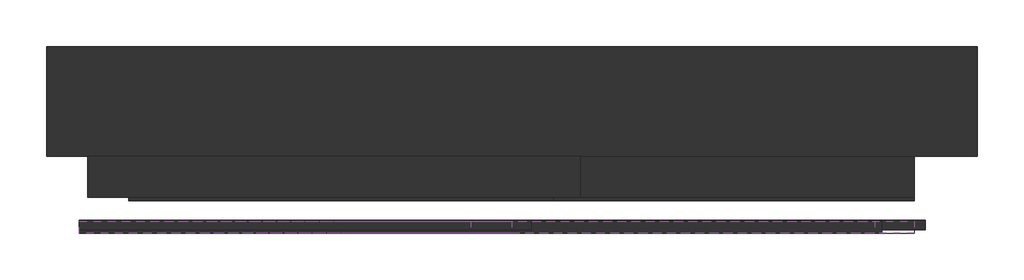
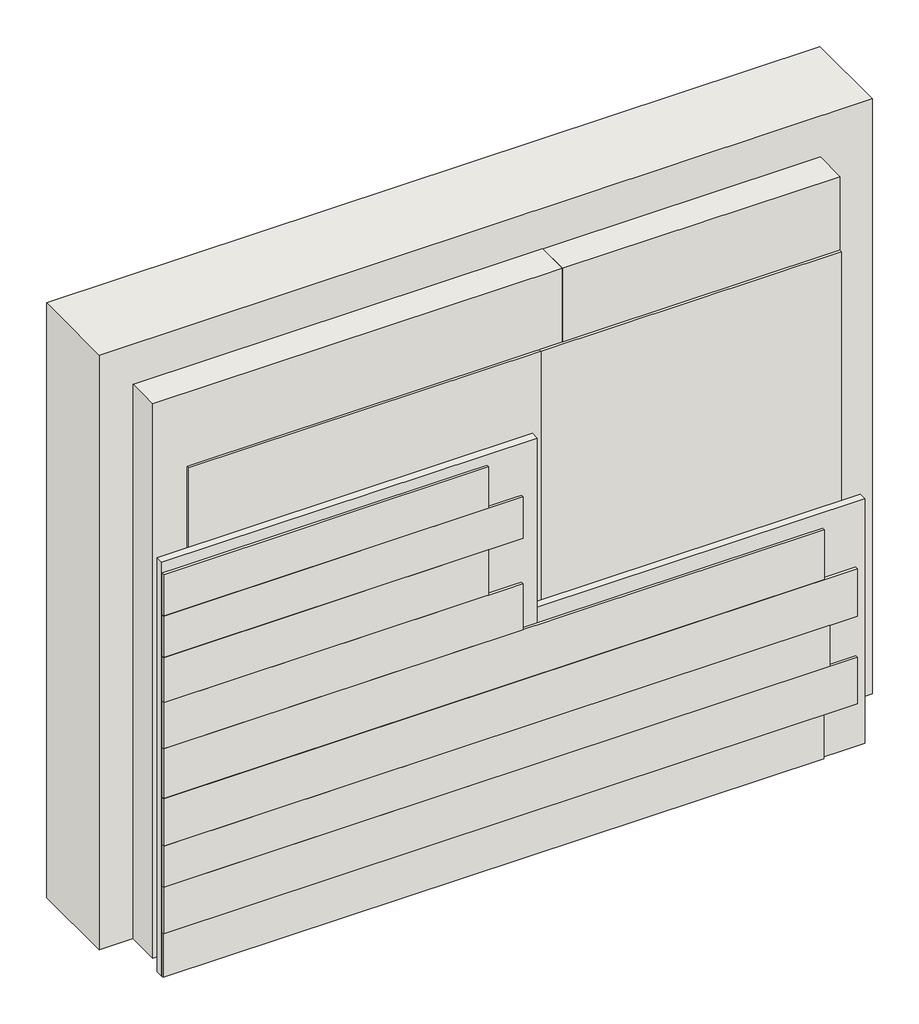
# One storey: 16 walls.
"""IFC4 building model written with IfcOpenShell, lengths in millimetres."""

from ifc_helpers import new_model, si_unit, frame, origin, origin_with_axes, place, context, project, spatial, polyline, outline, extrude, faceted_brep, element, save

model = new_model("IFC4")

# Units and contexts
model_context = context("Model", 3, world=origin())
ifc_project = project(units=[si_unit("LENGTHUNIT", "METRE", prefix="MILLI")], contexts=[model_context])

# Site, building, storey
site = spatial("IfcSite", under=ifc_project)
building = spatial("IfcBuilding", under=site)
storey = spatial("IfcBuildingStorey", under=building, Elevation=0.0)

# Walls
placement = place(None, origin())
element("IfcWall", 1, at=placement, inside=storey, context=model_context, shape_type="SweptSolid", body=[
    extrude(outline(polyline([(8351.4111422, 2345.4420164), (1551.4111422, 2345.4420164), (1551.4111422, 3145.4420164), (8351.4111422, 3145.4420164), (8351.4111422, 2345.4420164)])), origin_with_axes(), (0.0, 0.0, 1.0), 5527.4730237),
])
element("IfcWall", 2, at=placement, inside=storey, context=model_context, shape_type="Brep", body=[
    faceted_brep([(1851.4111422, 2045.4420164, 0.0), (5451.4111422, 2045.4420164, 0.0), (5451.4111422, 2045.4420164, 5148.0688685), (5451.4111422, 2045.4420164, 5149.6139138), (1851.4111422, 2045.4420164, 5149.6139138), (1851.4111422, 2345.4420164, 0.0), (1851.4111422, 2345.4420164, 5149.6139138), (5451.4111422, 2345.4420164, 5149.6139138), (5451.4111422, 2345.4420164, 5148.0688685), (5451.4111422, 2345.4420164, 0.0)], [[[0, 1, 2, 3, 4]], [[5, 6, 7, 8, 9]], [[1, 0, 5, 9]], [[3, 2, 1, 9, 8, 7]], [[4, 3, 7, 6]], [[0, 4, 6, 5]]]),
])
element("IfcWall", 3, at=placement, inside=storey, context=model_context, shape_type="SweptSolid", body=[
    extrude(outline(polyline([(7891.4111422, 2045.4420164), (5451.4111422, 2045.4420164), (5451.4111422, 2345.4420164), (7891.4111422, 2345.4420164), (7891.4111422, 2045.4420164)])), origin_with_axes(), (0.0, 0.0, 1.0), 5148.0688685),
])
element("IfcWall", 4, at=placement, inside=storey, context=model_context, shape_type="Brep", body=[
    faceted_brep([(5251.4111422, 2020.4420164, 0.0), (7891.4111422, 2020.4420164, 0.0), (7891.4111422, 2020.4420164, 4465.4143414), (5251.4111422, 2020.4420164, 4465.4143414), (5251.4111422, 2020.4420164, 4464.9187353), (5251.4111422, 2070.4420164, 0.0), (5251.4111422, 2070.4420164, 4464.9187353), (5251.4111422, 2070.4420164, 4465.4143414), (7891.4111422, 2070.4420164, 4465.4143414), (7891.4111422, 2070.4420164, 0.0)], [[[0, 1, 2, 3, 4]], [[5, 6, 7, 8, 9]], [[1, 0, 5, 9]], [[2, 1, 9, 8]], [[3, 2, 8, 7]], [[0, 4, 3, 7, 6, 5]]]),
])
element("IfcWall", 5, at=placement, inside=storey, context=model_context, shape_type="SweptSolid", body=[
    extrude(outline(polyline([(5251.4111422, 2020.4420164), (2151.4111422, 2020.4420164), (2151.4111422, 2070.4420164), (5251.4111422, 2070.4420164), (5251.4111422, 2020.4420164)])), origin_with_axes(), (0.0, 0.0, 1.0), 4464.9187353),
])
element("IfcWall", 6, at=placement, inside=storey, context=model_context, shape_type="Brep", body=[
    faceted_brep([(1791.4111422, 1805.4420164, 0.0), (5091.4111422, 1805.4420164, 0.0), (5091.4111422, 1805.4420164, 2270.3667362), (5091.4111422, 1805.4420164, 3844.1590247), (1791.4111422, 1805.4420164, 3844.1590247), (1791.4111422, 1875.4420164, 0.0), (1791.4111422, 1875.4420164, 3844.1590247), (5091.4111422, 1875.4420164, 3844.1590247), (5091.4111422, 1875.4420164, 2270.3667362), (5091.4111422, 1875.4420164, 0.0)], [[[0, 1, 2, 3, 4]], [[5, 6, 7, 8, 9]], [[1, 0, 5, 9]], [[3, 2, 1, 9, 8, 7]], [[4, 3, 7, 6]], [[0, 4, 6, 5]]]),
])
element("IfcWall", 7, at=placement, inside=storey, context=model_context, shape_type="SweptSolid", body=[
    extrude(outline(polyline([(7971.4111422, 1805.4420164), (5091.4111422, 1805.4420164), (5091.4111422, 1875.4420164), (7971.4111422, 1875.4420164), (7971.4111422, 1805.4420164)])), origin_with_axes(), (0.0, 0.0, 1.0), 2270.3667362),
])
element("IfcWall", 8, at=placement, inside=storey, context=model_context, shape_type="SweptSolid", body=[
    extrude(outline(polyline([(7651.4111422, 1780.4420164), (1791.4111422, 1780.4420164), (1791.4111422, 1870.4420164), (7651.4111422, 1870.4420164), (7651.4111422, 1780.4420164)])), frame((0.0, 0.0, 840.7304271), z_axis=(0.0, 0.0, 1.0), x_axis=(1.0, 0.0, 0.0)), (0.0, 0.0, 1.0), 381.1889268),
])
element("IfcWall", 9, at=placement, inside=storey, context=model_context, shape_type="SweptSolid", body=[
    extrude(outline(polyline([(7891.4111419, 1780.4420164), (1791.4111422, 1780.4420164), (1791.4111422, 1870.4420164), (7891.4111419, 1870.4420164), (7891.4111419, 1780.4420164)])), frame((0.0, 0.0, 411.252215), z_axis=(0.0, 0.0, 1.0), x_axis=(1.0, 0.0, 0.0)), (0.0, 0.0, 1.0), 429.478212),
])
element("IfcWall", 10, at=placement, inside=storey, context=model_context, shape_type="SweptSolid", body=[
    extrude(outline(polyline([(7601.4111422, 1785.4420164), (1791.4111422, 1785.4420164), (1791.4111422, 1875.4420164), (7601.4111422, 1875.4420164), (7601.4111422, 1785.4420164)])), origin_with_axes(), (0.0, 0.0, 1.0), 411.252215),
])
element("IfcWall", 11, at=placement, inside=storey, context=model_context, shape_type="SweptSolid", body=[
    extrude(outline(polyline([(7891.411149, 1780.4420164), (1791.4111422, 1780.4420164), (1791.4111422, 1870.4420164), (7891.411149, 1870.4420164), (7891.411149, 1780.4420164)])), frame((0.0, 0.0, 1221.9193539), z_axis=(0.0, 0.0, 1.0), x_axis=(1.0, 0.0, 0.0)), (0.0, 0.0, 1.0), 443.5536703),
])
element("IfcWall", 12, at=placement, inside=storey, context=model_context, shape_type="SweptSolid", body=[
    extrude(outline(polyline([(7601.4111344, 1780.4420164), (1791.4111422, 1780.4420164), (1791.4111422, 1870.4420164), (7601.4111344, 1870.4420164), (7601.4111344, 1780.4420164)])), frame((0.0, 0.0, 1665.4730241), z_axis=(0.0, 0.0, 1.0), x_axis=(1.0, 0.0, 0.0)), (0.0, 0.0, 1.0), 462.1028009),
])
element("IfcWall", 13, at=placement, inside=storey, context=model_context, shape_type="SweptSolid", body=[
    extrude(outline(polyline([(4951.4111412, 1780.4420164), (1791.4111422, 1780.4420164), (1791.4111422, 1870.4420164), (4951.4111412, 1870.4420164), (4951.4111412, 1780.4420164)])), frame((0.0, 0.0, 2127.575825), z_axis=(0.0, 0.0, 1.0), x_axis=(1.0, 0.0, 0.0)), (0.0, 0.0, 1.0), 426.6521759),
])
element("IfcWall", 14, at=placement, inside=storey, context=model_context, shape_type="SweptSolid", body=[
    extrude(outline(polyline([(4651.4111422, 1780.4420164), (1791.4111422, 1780.4420164), (1791.4111422, 1870.4420164), (4651.4111422, 1870.4420164), (4651.4111422, 1780.4420164)])), frame((0.0, 0.0, 2554.2280009), z_axis=(0.0, 0.0, 1.0), x_axis=(1.0, 0.0, 0.0)), (0.0, 0.0, 1.0), 421.2709699),
])
element("IfcWall", 15, at=placement, inside=storey, context=model_context, shape_type="SweptSolid", body=[
    extrude(outline(polyline([(4951.4111412, 1780.4420164), (1791.4111422, 1780.4420164), (1791.4111422, 1870.4420164), (4951.4111412, 1870.4420164), (4951.4111412, 1780.4420164)])), frame((0.0, 0.0, 2975.4989708), z_axis=(0.0, 0.0, 1.0), x_axis=(1.0, 0.0, 0.0)), (0.0, 0.0, 1.0), 385.4761709),
])
element("IfcWall", 16, at=placement, inside=storey, context=model_context, shape_type="SweptSolid", body=[
    extrude(outline(polyline([(4651.411146, 1780.4420164), (1791.4111422, 1780.4420164), (1791.4111422, 1870.4420164), (4651.411146, 1870.4420164), (4651.411146, 1780.4420164)])), frame((0.0, 0.0, 3360.9751417), z_axis=(0.0, 0.0, 1.0), x_axis=(1.0, 0.0, 0.0)), (0.0, 0.0, 1.0), 384.699988),
])

save(model, "model.ifc")
